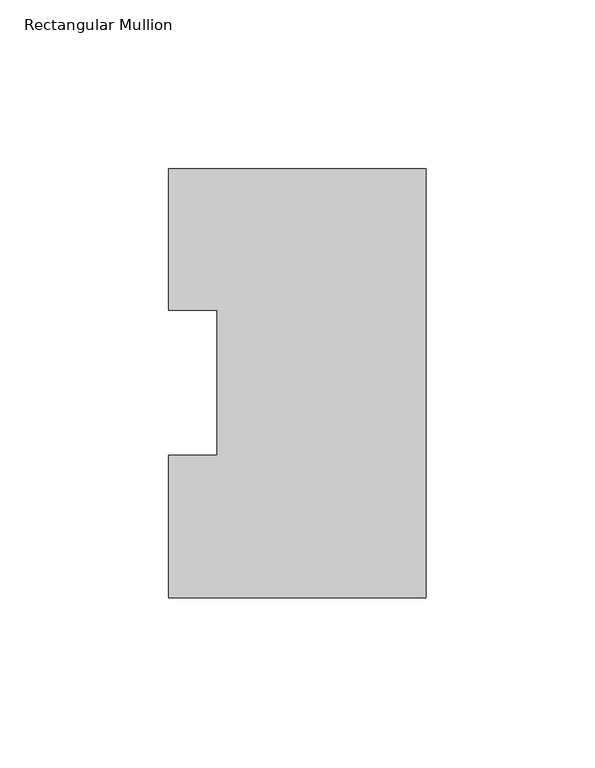
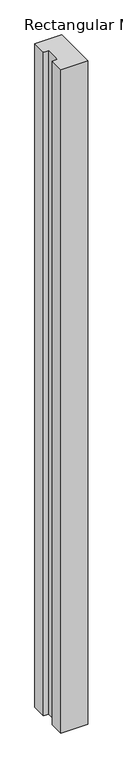
"""IFC4 building model written with IfcOpenShell, lengths in millimetres: member geometry, Rectangular Mullion."""

from ifc_helpers import new_model, si_unit, frame, origin, place, context, project, spatial, polyline, outline, extrude, source, transform, mapped, element, save


def rectangular_mullion_c88c2d14(model_context):
    return source(origin(), model_context, "Body", "SweptSolid", [
        extrude(outline(polyline([(0.0, 126.9888875), (0.0, -0.0111125), (-76.1989149, -0.0111125), (-76.1989149, 42.2798875), (-61.9139549, 42.2798875), (-61.9139549, 85.1296875), (-76.1989149, 85.1296875), (-76.1989149, 126.9888875), (0.0, 126.9888875)])), frame((0.0, 0.0, -1980.9520417), z_axis=(0.0, 0.0, 1.0), x_axis=(1.0, 0.0, 0.0)), (0.0, 0.0, 1.0), 1980.9520417),
    ])


if __name__ == "__main__":
    model = new_model("IFC4")
    model_context = context("Model", 3, world=origin())
    ifc_project = project(units=[si_unit("LENGTHUNIT", "METRE", prefix="MILLI")], contexts=[model_context])
    site = spatial("IfcSite", under=ifc_project)
    building = spatial("IfcBuilding", under=site)
    placement = place(None, origin())
    rectangular_mullion_shape = rectangular_mullion_c88c2d14(model_context)
    element("IfcMember", 1, ObjectType="Rectangular Mullion", at=placement, inside=building, context=model_context, shape_type="MappedRepresentation", body=[
        mapped(rectangular_mullion_shape, transform((0.0, 0.0, 0.0), x_axis=(1.0, 0.0, 0.0), y_axis=(0.0, 1.0, 0.0), z_axis=(0.0, 0.0, 1.0))),
    ])
    save(model, "model.ifc")
